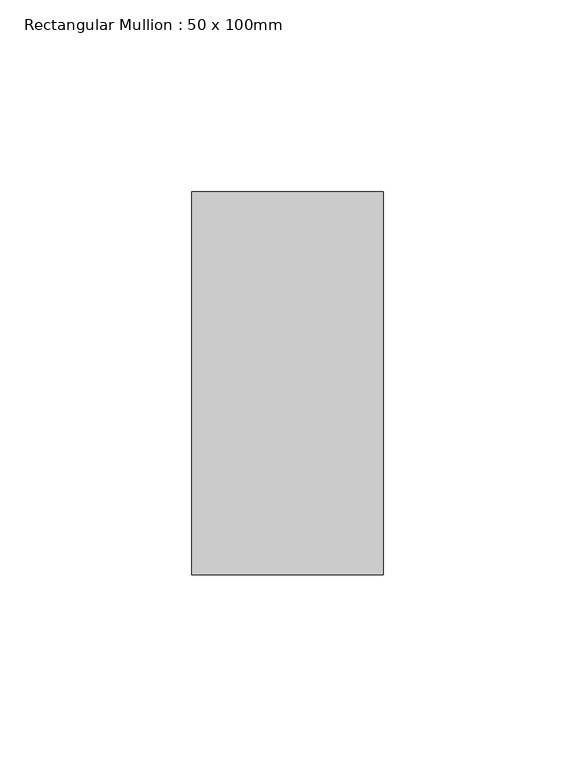
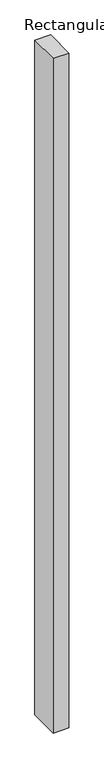
"""IFC4 building model written with IfcOpenShell, lengths in millimetres: member geometry, Rectangular Mullion : 50 x 100mm."""

from ifc_helpers import new_model, si_unit, frame, origin, place, context, project, spatial, polyline, outline, extrude, source, transform, mapped, element, save


def rectangular_mullion_50_x_100mm_0ea5d40d(model_context):
    return source(origin(), model_context, "Body", "SweptSolid", [
        extrude(outline(polyline([(0.0, 50.0), (0.0, -50.0), (-50.0, -50.0), (-50.0, 50.0), (0.0, 50.0)])), frame((0.0, 0.0, -2258.3333333), z_axis=(0.0, 0.0, 1.0), x_axis=(1.0, 0.0, 0.0)), (0.0, 0.0, 1.0), 2258.3333333),
    ])


if __name__ == "__main__":
    model = new_model("IFC4")
    model_context = context("Model", 3, world=origin())
    ifc_project = project(units=[si_unit("LENGTHUNIT", "METRE", prefix="MILLI")], contexts=[model_context])
    site = spatial("IfcSite", under=ifc_project)
    building = spatial("IfcBuilding", under=site)
    placement = place(None, origin())
    rectangular_mullion_50_x_100mm_shape = rectangular_mullion_50_x_100mm_0ea5d40d(model_context)
    element("IfcMember", 1, ObjectType="Rectangular Mullion : 50 x 100mm", at=placement, inside=building, context=model_context, shape_type="MappedRepresentation", body=[
        mapped(rectangular_mullion_50_x_100mm_shape, transform((0.0, 0.0, 0.0), x_axis=(1.0, 0.0, 0.0), y_axis=(0.0, 1.0, 0.0), z_axis=(0.0, 0.0, 1.0))),
    ])
    save(model, "model.ifc")
